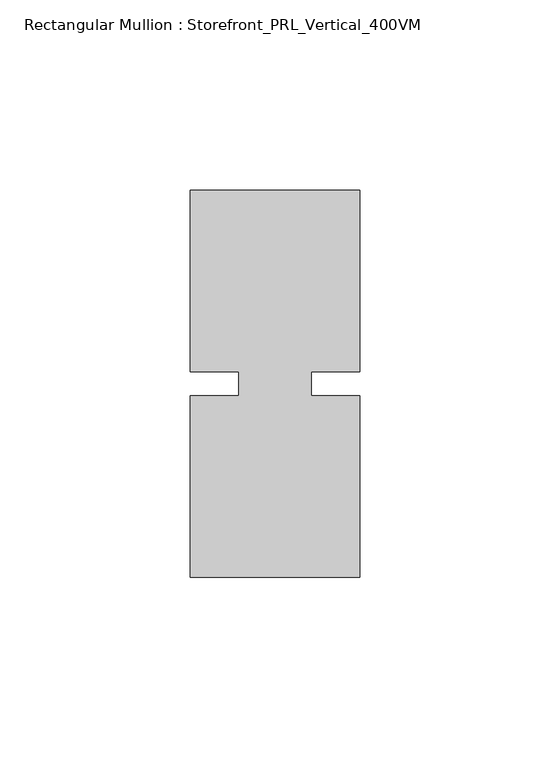
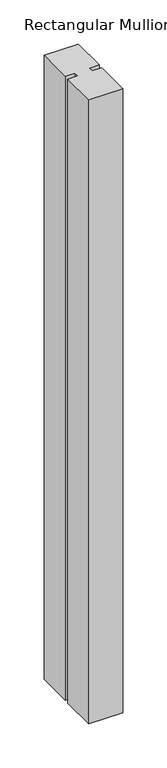
"""IFC4 building model written with IfcOpenShell, lengths in millimetres: member geometry, Rectangular Mullion : Storefront_PRL_Vertical_400VM."""

from ifc_helpers import new_model, si_unit, frame, origin, place, context, project, spatial, polyline, outline, extrude, source, transform, mapped, element, save


def rectangular_mullion_storefront_prl_vertical_400vm_b5648ae5(model_context):
    return source(origin(), model_context, "Body", "SweptSolid", [
        extrude(outline(polyline([(-9.525, -3.175), (-9.525, 3.175), (-22.225, 3.175), (-22.225, 50.8), (22.225, 50.8), (22.225, 3.175), (9.525, 3.175), (9.525, -3.175), (22.225, -3.175), (22.225, -50.8), (-22.225, -50.8), (-22.225, -3.175), (-9.525, -3.175)])), frame((0.0, 0.0, -863.6), z_axis=(0.0, 0.0, 1.0), x_axis=(1.0, 0.0, 0.0)), (0.0, 0.0, 1.0), 863.6),
    ])


if __name__ == "__main__":
    model = new_model("IFC4")
    model_context = context("Model", 3, world=origin())
    ifc_project = project(units=[si_unit("LENGTHUNIT", "METRE", prefix="MILLI")], contexts=[model_context])
    site = spatial("IfcSite", under=ifc_project)
    building = spatial("IfcBuilding", under=site)
    placement = place(None, origin())
    rectangular_mullion_storefront_prl_vertical_400vm_shape = rectangular_mullion_storefront_prl_vertical_400vm_b5648ae5(model_context)
    element("IfcMember", 1, ObjectType="Rectangular Mullion : Storefront_PRL_Vertical_400VM", at=placement, inside=building, context=model_context, shape_type="MappedRepresentation", body=[
        mapped(rectangular_mullion_storefront_prl_vertical_400vm_shape, transform((0.0, 0.0, 0.0), x_axis=(1.0, 0.0, 0.0), y_axis=(0.0, 1.0, 0.0), z_axis=(0.0, 0.0, 1.0))),
    ])
    save(model, "model.ifc")
